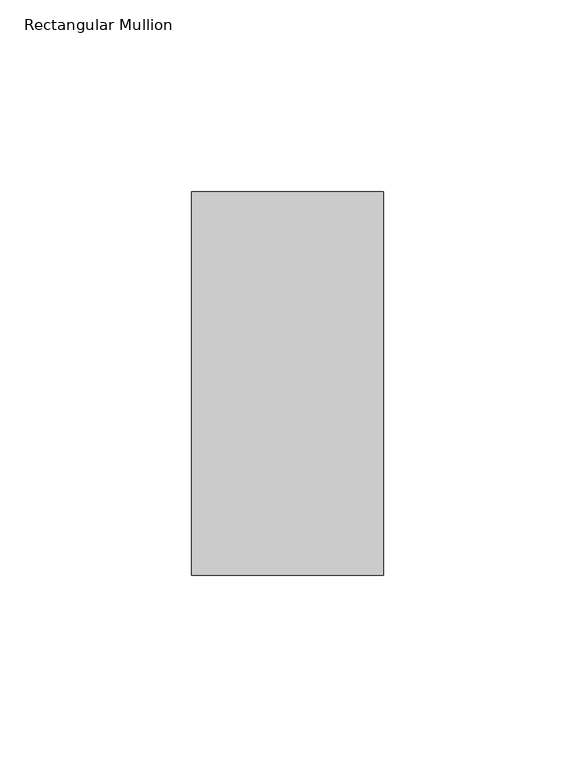
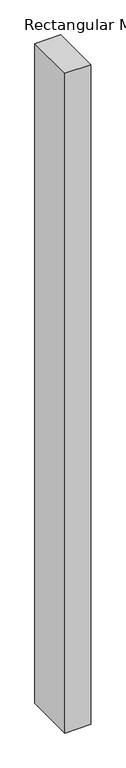
"""IFC4 building model written with IfcOpenShell, lengths in millimetres: member geometry, Rectangular Mullion."""

from ifc_helpers import new_model, si_unit, frame, origin, place, context, project, spatial, polyline, outline, extrude, source, transform, mapped, element, save


def rectangular_mullion_3a6bfedf(model_context):
    return source(origin(), model_context, "Body", "SweptSolid", [
        extrude(outline(polyline([(25.0, 31.0), (25.0, -69.0), (-25.0, -69.0), (-25.0, 31.0), (25.0, 31.0)])), frame((0.0, 0.0, -1340.0), z_axis=(0.0, 0.0, 1.0), x_axis=(1.0, 0.0, 0.0)), (0.0, 0.0, 1.0), 1340.0),
    ])


if __name__ == "__main__":
    model = new_model("IFC4")
    model_context = context("Model", 3, world=origin())
    ifc_project = project(units=[si_unit("LENGTHUNIT", "METRE", prefix="MILLI")], contexts=[model_context])
    site = spatial("IfcSite", under=ifc_project)
    building = spatial("IfcBuilding", under=site)
    placement = place(None, origin())
    rectangular_mullion_shape = rectangular_mullion_3a6bfedf(model_context)
    element("IfcMember", 1, ObjectType="Rectangular Mullion", at=placement, inside=building, context=model_context, shape_type="MappedRepresentation", body=[
        mapped(rectangular_mullion_shape, transform((0.0, 0.0, 0.0), x_axis=(1.0, 0.0, 0.0), y_axis=(0.0, 1.0, 0.0), z_axis=(0.0, 0.0, 1.0))),
    ])
    save(model, "model.ifc")
